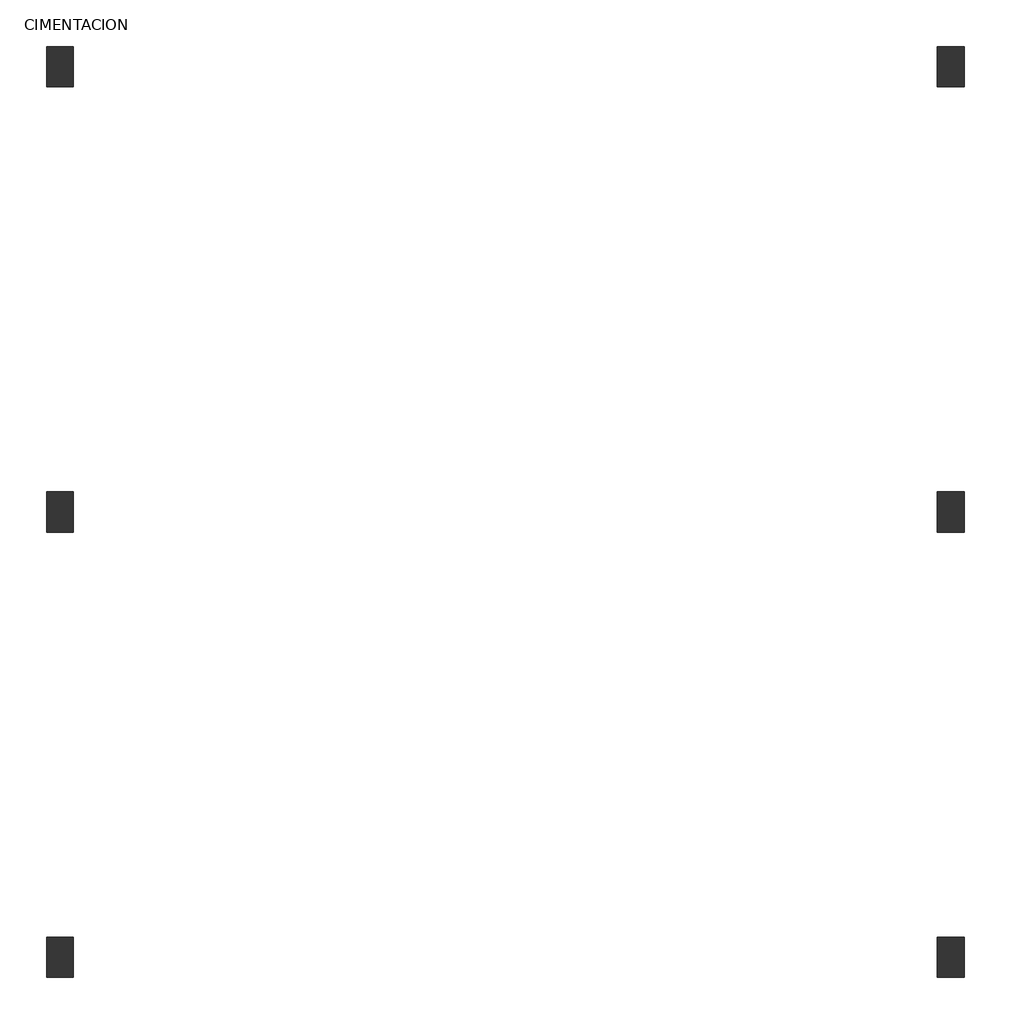
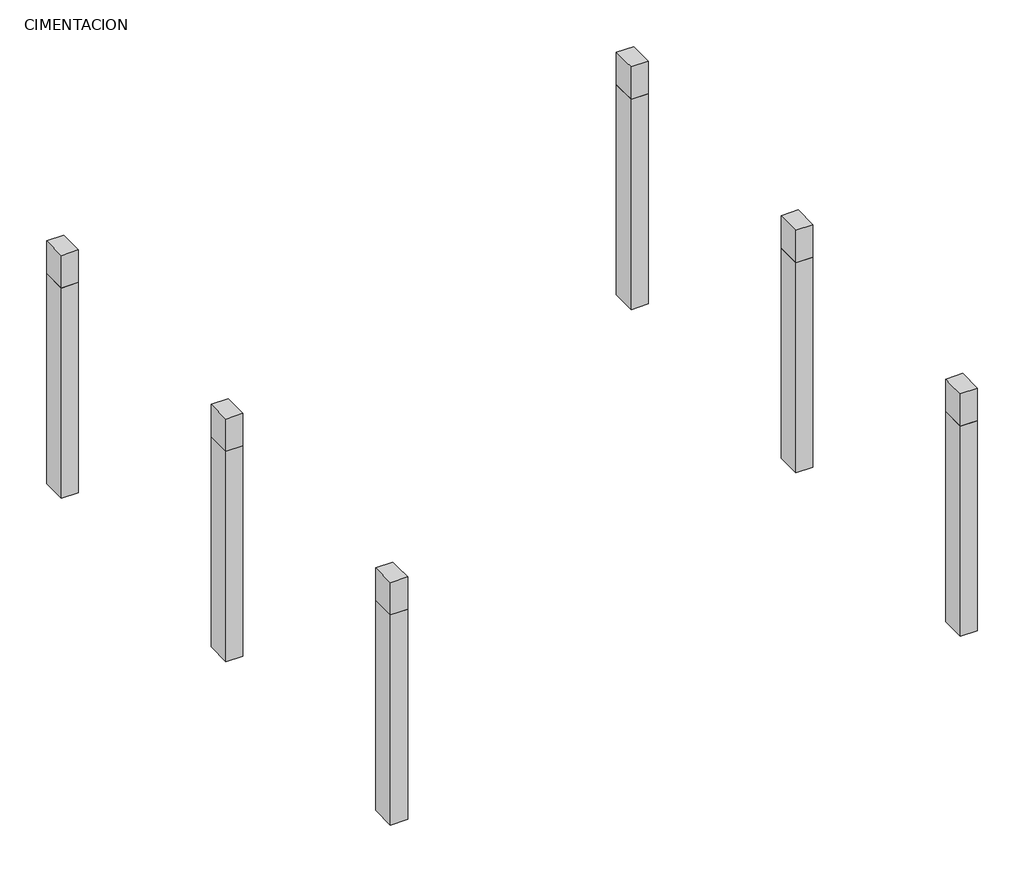
# One storey: 6 columns.
"""IFC4 building model written with IfcOpenShell, lengths in millimetres."""

from ifc_helpers import new_model, si_unit, frame, origin, place, context, project, spatial, polyline, outline, extrude, faceted_brep, element, save

model = new_model("IFC4")

# Units and contexts
model_context = context("Model", 3, world=origin())
ifc_project = project(units=[si_unit("LENGTHUNIT", "METRE", prefix="MILLI")], contexts=[model_context])

# Site, building, storey
site = spatial("IfcSite", under=ifc_project)
building = spatial("IfcBuilding", under=site)
storey = spatial("IfcBuildingStorey", under=building, Name="CIMENTACION", Elevation=-1500.0)

# Columns
placement = place(None, origin())
element("IfcColumn", 1, ObjectType="300 x 450", at=placement, inside=storey, context=model_context, shape_type="SolidModel", body=[
    faceted_brep([(-8500.8461664, 7331.9746606, 2400.0), (-8500.8461664, 6881.9746606, 2400.0), (-8800.8461664, 6881.9746606, 2400.0), (-8800.8461664, 7331.9746606, 2400.0), (-8500.8461664, 7331.9746606, 3000.0), (-8800.8461664, 7331.9746606, 3000.0), (-8800.8461664, 6881.9746606, 3000.0), (-8500.8461664, 6881.9746606, 3000.0), (-8500.8461664, 7031.9746606, 3000.0)], [[[0, 1, 2, 3]], [[4, 5, 6, 7, 8]], [[4, 8, 7, 1, 0]], [[7, 6, 2, 1]], [[5, 4, 0, 3]], [[6, 5, 3, 2]]]),
    extrude(outline(polyline([(-8500.8461664, 7331.9746606), (-8500.8461664, 6881.9746606), (-8800.8461664, 6881.9746606), (-8800.8461664, 7331.9746606), (-8500.8461664, 7331.9746606)])), frame((0.0, 0.0, -1500.0), z_axis=(0.0, 0.0, 1.0), x_axis=(1.0, 0.0, 0.0)), (0.0, 0.0, 1.0), 3900.0),
])
element("IfcColumn", 2, ObjectType="300 x 450", at=placement, inside=storey, context=model_context, shape_type="SolidModel", body=[
    faceted_brep([(-8500.8461664, -2668.0253394, 2400.0), (-8500.8461664, -3118.0253394, 2400.0), (-8800.8461664, -3118.0253394, 2400.0), (-8800.8461664, -2668.0253394, 2400.0), (-8500.8461664, -2668.0253394, 3000.0), (-8800.8461664, -2668.0253394, 3000.0), (-8800.8461664, -3118.0253394, 3000.0), (-8500.8461664, -3118.0253394, 3000.0), (-8500.8461664, -2818.0253394, 3000.0)], [[[0, 1, 2, 3]], [[4, 5, 6, 7, 8]], [[4, 8, 7, 1, 0]], [[7, 6, 2, 1]], [[5, 4, 0, 3]], [[6, 5, 3, 2]]]),
    extrude(outline(polyline([(-8500.8461664, -2668.0253394), (-8500.8461664, -3118.0253394), (-8800.8461664, -3118.0253394), (-8800.8461664, -2668.0253394), (-8500.8461664, -2668.0253394)])), frame((0.0, 0.0, -1500.0), z_axis=(0.0, 0.0, 1.0), x_axis=(1.0, 0.0, 0.0)), (0.0, 0.0, 1.0), 3900.0),
])
element("IfcColumn", 3, ObjectType="300 x 450", at=placement, inside=storey, context=model_context, shape_type="SolidModel", body=[
    faceted_brep([(1499.1538336, 7331.9746606, 2400.0), (1499.1538336, 6881.9746606, 2400.0), (1199.1538336, 6881.9746606, 2400.0), (1199.1538336, 7331.9746606, 2400.0), (1499.1538336, 7331.9746606, 3000.0), (1199.1538336, 7331.9746606, 3000.0), (1199.1538336, 7031.9746606, 3000.0), (1199.1538336, 6881.9746606, 3000.0), (1499.1538336, 6881.9746606, 3000.0)], [[[0, 1, 2, 3]], [[4, 5, 6, 7, 8]], [[4, 8, 1, 0]], [[8, 7, 2, 1]], [[5, 4, 0, 3]], [[7, 6, 5, 3, 2]]]),
    extrude(outline(polyline([(1499.1538336, 7331.9746606), (1499.1538336, 6881.9746606), (1199.1538336, 6881.9746606), (1199.1538336, 7331.9746606), (1499.1538336, 7331.9746606)])), frame((0.0, 0.0, -1500.0), z_axis=(0.0, 0.0, 1.0), x_axis=(1.0, 0.0, 0.0)), (0.0, 0.0, 1.0), 3900.0),
])
element("IfcColumn", 4, ObjectType="300 x 450", at=placement, inside=storey, context=model_context, shape_type="SolidModel", body=[
    faceted_brep([(1499.1538336, -2668.0253394, 2400.0), (1499.1538336, -3118.0253394, 2400.0), (1199.1538336, -3118.0253394, 2400.0), (1199.1538336, -2668.0253394, 2400.0), (1499.1538336, -2668.0253394, 3000.0), (1199.1538336, -2668.0253394, 3000.0), (1199.1538336, -2818.0253394, 3000.0), (1199.1538336, -3118.0253394, 3000.0), (1499.1538336, -3118.0253394, 3000.0)], [[[0, 1, 2, 3]], [[4, 5, 6, 7, 8]], [[4, 8, 1, 0]], [[8, 7, 2, 1]], [[5, 4, 0, 3]], [[7, 6, 5, 3, 2]]]),
    extrude(outline(polyline([(1499.1538336, -2668.0253394), (1499.1538336, -3118.0253394), (1199.1538336, -3118.0253394), (1199.1538336, -2668.0253394), (1499.1538336, -2668.0253394)])), frame((0.0, 0.0, -1500.0), z_axis=(0.0, 0.0, 1.0), x_axis=(1.0, 0.0, 0.0)), (0.0, 0.0, 1.0), 3900.0),
])
element("IfcColumn", 5, ObjectType="300 x 450", at=placement, inside=storey, context=model_context, shape_type="SweptSolid", body=[
    extrude(outline(polyline([(-8500.8461664, 2331.9746606), (-8500.8461664, 1881.9746606), (-8800.8461664, 1881.9746606), (-8800.8461664, 2331.9746606), (-8500.8461664, 2331.9746606)])), frame((0.0, 0.0, 2400.0), z_axis=(0.0, 0.0, 1.0), x_axis=(1.0, 0.0, 0.0)), (0.0, 0.0, 1.0), 600.0),
    extrude(outline(polyline([(-8500.8461664, 2331.9746606), (-8500.8461664, 1881.9746606), (-8800.8461664, 1881.9746606), (-8800.8461664, 2331.9746606), (-8500.8461664, 2331.9746606)])), frame((0.0, 0.0, -1500.0), z_axis=(0.0, 0.0, 1.0), x_axis=(1.0, 0.0, 0.0)), (0.0, 0.0, 1.0), 3900.0),
])
element("IfcColumn", 6, ObjectType="300 x 450", at=placement, inside=storey, context=model_context, shape_type="SweptSolid", body=[
    extrude(outline(polyline([(1499.1538336, 2331.9746606), (1499.1538336, 1881.9746606), (1199.1538336, 1881.9746606), (1199.1538336, 2331.9746606), (1499.1538336, 2331.9746606)])), frame((0.0, 0.0, 2400.0), z_axis=(0.0, 0.0, 1.0), x_axis=(1.0, 0.0, 0.0)), (0.0, 0.0, 1.0), 600.0),
    extrude(outline(polyline([(1499.1538336, 2331.9746606), (1499.1538336, 1881.9746606), (1199.1538336, 1881.9746606), (1199.1538336, 2331.9746606), (1499.1538336, 2331.9746606)])), frame((0.0, 0.0, -1500.0), z_axis=(0.0, 0.0, 1.0), x_axis=(1.0, 0.0, 0.0)), (0.0, 0.0, 1.0), 3900.0),
])

save(model, "model.ifc")
